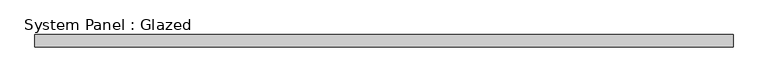
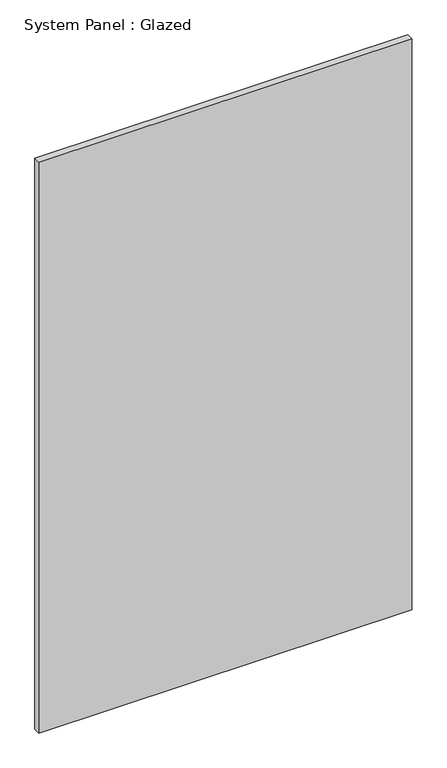
"""IFC4 building model written with IfcOpenShell, lengths in millimetres: plate geometry, System Panel : Glazed."""

from ifc_helpers import new_model, si_unit, origin, origin_with_axes, place, context, project, spatial, polyline, outline, extrude, source, transform, mapped, element, save


def system_panel_glazed_2b95e8a2(model_context):
    return source(origin(), model_context, "Body", "SweptSolid", [
        extrude(outline(polyline([(718.3333333, -49.5), (-718.3333333, -49.5), (-718.3333333, -24.5), (718.3333333, -24.5), (718.3333333, -49.5)])), origin_with_axes(), (0.0, 0.0, 1.0), 2325.0),
    ])


if __name__ == "__main__":
    model = new_model("IFC4")
    model_context = context("Model", 3, world=origin())
    ifc_project = project(units=[si_unit("LENGTHUNIT", "METRE", prefix="MILLI")], contexts=[model_context])
    site = spatial("IfcSite", under=ifc_project)
    building = spatial("IfcBuilding", under=site)
    placement = place(None, origin())
    system_panel_glazed_shape = system_panel_glazed_2b95e8a2(model_context)
    element("IfcPlate", 1, ObjectType="System Panel : Glazed", at=placement, inside=building, context=model_context, shape_type="MappedRepresentation", body=[
        mapped(system_panel_glazed_shape, transform((0.0, 0.0, 0.0), x_axis=(1.0, 0.0, 0.0), y_axis=(0.0, 1.0, 0.0), z_axis=(0.0, 0.0, 1.0))),
    ])
    save(model, "model.ifc")
